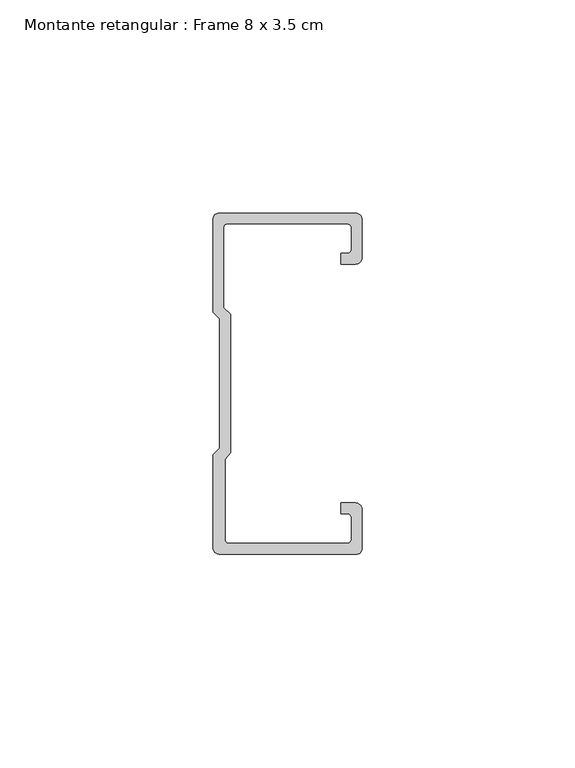
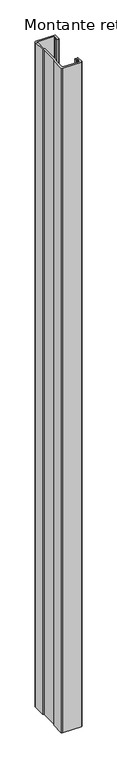
"""IFC4 building model written with IfcOpenShell, lengths in millimetres: member geometry, Montante retangular : Frame 8 x 3.5 cm."""

import ifcopenshell
import ifcopenshell.guid

model = None  # the IFC model being written
_history = None  # IfcOwnerHistory: only IFC2X3 demands one
_inside = {}  # id of a spatial element -> (the spatial element, [elements in it])
_under = {}  # id of a project, library or spatial element -> (it, [spatial elements below it])
_declared = {}  # id of a project -> (the project, [libraries it declares])
_typed = {}  # id of a type object -> (the type object, [elements of that type])
_made_of = {}  # id of a material, layer set ... -> (it, [elements and type objects made of it])


def new_model(schema):
    """Start an empty IFC model of exactly this schema.

    Asked for "IFC4X3", IfcOpenShell would pick the latest addendum, in which some entities
    have other attributes; the version numbers below select the first issue.
    IFC2X3 requires an IfcOwnerHistory on every rooted entity: one is made here for all.
    """
    global model, _history
    if schema == "IFC4X3":
        model = ifcopenshell.file(schema_version=(4, 3, 0, 0))
    else:
        model = ifcopenshell.file(schema=schema)
    _inside.clear()
    _under.clear()
    _declared.clear()
    _typed.clear()
    _made_of.clear()
    _history = None
    if model.schema == "IFC2X3":
        org = make("IfcOrganization", Name="unknown")
        user = make(
            "IfcPersonAndOrganization",
            ThePerson=make("IfcPerson", FamilyName="unknown"),
            TheOrganization=org,
        )
        app = make(
            "IfcApplication",
            ApplicationDeveloper=org,
            Version="unknown",
            ApplicationFullName="unknown",
            ApplicationIdentifier="unknown",
        )
        _history = make(
            "IfcOwnerHistory",
            OwningUser=user,
            OwningApplication=app,
            ChangeAction="ADDED",
            CreationDate=0,
        )
    return model


def make(cls, **values):
    """One entity of the class cls with the attributes given. An attribute that is None is left unset."""
    return model.create_entity(
        cls, **{name: value for name, value in values.items() if value is not None}
    )


def rooted(cls, **values):
    """An entity with a GlobalId (a new one), such as an element, a storey or a relation."""
    return make(cls, GlobalId=ifcopenshell.guid.new(), OwnerHistory=_history, **values)


def si_unit(unit_type, name, prefix=None):
    """IfcSIUnit, for example si_unit("LENGTHUNIT", "METRE", prefix="MILLI")."""
    return make("IfcSIUnit", UnitType=unit_type, Prefix=prefix, Name=name)


def assignment(units):
    """IfcUnitAssignment: the units of a project."""
    return None if units is None else make("IfcUnitAssignment", Units=units)


def point(xyz):
    """IfcCartesianPoint."""
    return None if xyz is None else make("IfcCartesianPoint", Coordinates=xyz)


def direction(xyz):
    """IfcDirection."""
    return None if xyz is None else make("IfcDirection", DirectionRatios=xyz)


def frame(location, z_axis=None, x_axis=None):
    """IfcAxis2Placement3D, a coordinate frame: its origin and axes. An axis left out is left unset."""
    return make(
        "IfcAxis2Placement3D",
        Location=point(location),
        Axis=direction(z_axis),
        RefDirection=direction(x_axis),
    )


def frame_2d(location, x_axis=None):
    """IfcAxis2Placement2D, a coordinate frame in the plane: its origin and x axis."""
    return make(
        "IfcAxis2Placement2D", Location=point(location), RefDirection=direction(x_axis)
    )


def origin():
    """The frame at (0, 0, 0) with its axes left unset."""
    return frame((0.0, 0.0, 0.0))


def place(relative_to, where):
    """IfcLocalPlacement: puts the frame where relative to a parent placement (None: the world)."""
    return make(
        "IfcLocalPlacement", PlacementRelTo=relative_to, RelativePlacement=where
    )


def context(
    kind, dimensions, precision=None, world=None, true_north=None, identifier=None
):
    """IfcGeometricRepresentationContext, for example the 3D "Model" context."""
    return make(
        "IfcGeometricRepresentationContext",
        ContextIdentifier=identifier,
        ContextType=kind,
        CoordinateSpaceDimension=dimensions,
        Precision=precision,
        WorldCoordinateSystem=world,
        TrueNorth=true_north,
    )


def project(units=None, contexts=None):
    """IfcProject with its units and contexts."""
    return rooted(
        "IfcProject",
        Name="project",
        RepresentationContexts=contexts,
        UnitsInContext=assignment(units),
    )


def spatial(cls, under=None, at=None, **own):
    """A site, building, storey or space (cls), placed at a placement, below another one or the project."""
    s = rooted(cls, ObjectPlacement=at, **own)
    if under is not None:
        _under.setdefault(under.id(), (under, []))[1].append(s)
    return s


def polyline(points):
    """IfcPolyline through the points."""
    return make("IfcPolyline", Points=[point(p) for p in points])


def circle_curve(where, radius):
    """IfcCircle in the frame where."""
    return make("IfcCircle", Position=where, Radius=radius)


def trimmed(basis, trim1, trim2, sense, master):
    """IfcTrimmedCurve: the piece of a basis curve between two trims."""
    return make(
        "IfcTrimmedCurve",
        BasisCurve=basis,
        Trim1=trim1,
        Trim2=trim2,
        SenseAgreement=sense,
        MasterRepresentation=master,
    )


def segment(curve, same_sense, transition):
    """IfcCompositeCurveSegment."""
    return make(
        "IfcCompositeCurveSegment",
        Transition=transition,
        SameSense=same_sense,
        ParentCurve=curve,
    )


def composite_curve(segments, self_intersect=None):
    """IfcCompositeCurve: segments joined end to end."""
    return make("IfcCompositeCurve", Segments=segments, SelfIntersect=self_intersect)


def outline(outer, holes=None, kind="AREA"):
    """IfcArbitraryClosedProfileDef: a profile drawn as a closed curve; with holes, ...WithVoids."""
    if holes is None:
        return make("IfcArbitraryClosedProfileDef", ProfileType=kind, OuterCurve=outer)
    return make(
        "IfcArbitraryProfileDefWithVoids",
        ProfileType=kind,
        OuterCurve=outer,
        InnerCurves=holes,
    )


def extrude(swept, where, along, depth):
    """IfcExtrudedAreaSolid: the profile swept, set in the frame where, extruded along a direction by depth."""
    return make(
        "IfcExtrudedAreaSolid",
        SweptArea=swept,
        Position=where,
        ExtrudedDirection=direction(along),
        Depth=depth,
    )


def shape(context_of_items, identifier, shape_type, items):
    """IfcShapeRepresentation: the items that make up one representation, for example the "Body"."""
    return make(
        "IfcShapeRepresentation",
        ContextOfItems=context_of_items,
        RepresentationIdentifier=identifier,
        RepresentationType=shape_type,
        Items=items,
    )


def source(mapping_origin, context_of_items, identifier, shape_type, items):
    """IfcRepresentationMap: a shape defined once, which mapped items show again and again."""
    return make(
        "IfcRepresentationMap",
        MappingOrigin=mapping_origin,
        MappedRepresentation=shape(context_of_items, identifier, shape_type, items),
    )


def transform(
    local_origin,
    x_axis=None,
    y_axis=None,
    z_axis=None,
    scale=None,
    scale2=None,
    scale3=None,
    uniform=True,
):
    """IfcCartesianTransformationOperator3D, or its non-uniform kind. x_axis, y_axis, z_axis: its Axis1, 2, 3."""
    if uniform:
        return make(
            "IfcCartesianTransformationOperator3D",
            Axis1=direction(x_axis),
            Axis2=direction(y_axis),
            LocalOrigin=point(local_origin),
            Scale=scale,
            Axis3=direction(z_axis),
        )
    return make(
        "IfcCartesianTransformationOperator3DnonUniform",
        Axis1=direction(x_axis),
        Axis2=direction(y_axis),
        LocalOrigin=point(local_origin),
        Scale=scale,
        Axis3=direction(z_axis),
        Scale2=scale2,
        Scale3=scale3,
    )


def mapped(mapping_source, mapping_target):
    """IfcMappedItem: shows the shape of a source again, moved by a transform."""
    return make(
        "IfcMappedItem", MappingSource=mapping_source, MappingTarget=mapping_target
    )


def made_of(thing, what):
    """Note that an element or type object is made of a material, layer set ...; save() writes the relation."""
    if what is not None:
        _made_of.setdefault(what.id(), (what, []))[1].append(thing)
    return thing


def element(
    cls,
    number,
    at=None,
    inside=None,
    cuts=None,
    type_object=None,
    material=None,
    context=None,
    identifier="Body",
    shape_type=None,
    held_by="IfcProductDefinitionShape",
    body=None,
    shapes=None,
    **own,
):
    """One element of the class cls, such as IfcWall. Its Tag is "e" and its number.

    at: its placement. inside: the storey or other place that contains it. cuts: it is an
    opening in that element (IfcRelVoidsElement). A single representation is given by context,
    identifier, shape_type and body (its items); several are given by shapes. held_by: the class
    of the entity that holds the representations. save() writes the other relations.
    """
    e = rooted(cls, Tag="e%d" % number, ObjectPlacement=at, **own)
    if body is not None:
        shapes = [shape(context, identifier, shape_type, body)]
    if shapes is not None:
        e.Representation = make(held_by, Representations=shapes)
    if inside is not None:
        _inside.setdefault(inside.id(), (inside, []))[1].append(e)
    if cuts is not None:
        rooted(
            "IfcRelVoidsElement", RelatingBuildingElement=cuts, RelatedOpeningElement=e
        )
    if type_object is not None:
        _typed.setdefault(type_object.id(), (type_object, []))[1].append(e)
    return made_of(e, material)


def aggregate(whole, parts):
    """IfcRelAggregates: a whole, such as a stair, and the parts it consists of."""
    return rooted("IfcRelAggregates", RelatingObject=whole, RelatedObjects=parts)


def save(model, path):
    """Write the relations noted so far, then the file.

    IfcRelAggregates (storeys below a building ...), IfcRelContainedInSpatialStructure (elements
    in a storey), IfcRelDefinesByType, IfcRelAssociatesMaterial and IfcRelDeclares: one each for
    every whole, place, type object, material and project.
    """
    for whole, parts in _under.values():
        aggregate(whole, parts)
    for where, things in _inside.values():
        rooted(
            "IfcRelContainedInSpatialStructure",
            RelatedElements=things,
            RelatingStructure=where,
        )
    for kind, things in _typed.values():
        rooted("IfcRelDefinesByType", RelatedObjects=things, RelatingType=kind)
    for what, things in _made_of.values():
        rooted("IfcRelAssociatesMaterial", RelatedObjects=things, RelatingMaterial=what)
    for by, libraries in _declared.values():
        rooted("IfcRelDeclares", RelatingContext=by, RelatedDefinitions=libraries)
    model.write(path)


def montante_retangular_frame_8_x_3_5_cm_da839f70(model_context):
    return source(origin(), model_context, "Body", "SweptSolid", [
        extrude(outline(composite_curve([segment(trimmed(circle_curve(frame_2d((-1.5, 29.5276505)), 1.5), [point((0.0, 29.5276505))], [point((-1.5, 28.0276505))], False, "CARTESIAN"), True, "CONTINUOUS"), segment(polyline([(-1.5, 28.0276505), (-4.9837744, 28.0276505), (-4.9837744, 30.5276505), (-3.5, 30.5276505)]), True, "CONTINUOUS"), segment(trimmed(circle_curve(frame_2d((-3.5, 31.5276505)), 1.0), [point((-3.5, 30.5276505))], [point((-2.5, 31.5276505))], True, "CARTESIAN"), True, "CONTINUOUS"), segment(polyline([(-2.5, 31.5276505), (-2.5, 36.5)]), True, "CONTINUOUS"), segment(trimmed(circle_curve(frame_2d((-3.5, 36.5)), 1.0), [point((-2.5, 36.5))], [point((-3.5, 37.5))], True, "CARTESIAN"), True, "CONTINUOUS"), segment(polyline([(-3.5, 37.5), (-31.5, 37.5)]), True, "CONTINUOUS"), segment(trimmed(circle_curve(frame_2d((-31.5, 36.5)), 1.0), [point((-31.5, 37.5))], [point((-32.5, 36.5))], True, "CARTESIAN"), True, "CONTINUOUS"), segment(polyline([(-32.5, 36.5), (-32.5, 17.7978001), (-30.9122869, 16.2100869), (-30.9122869, -16.1794816), (-32.192786, -17.7671948), (-32.192786, -36.5)]), True, "CONTINUOUS"), segment(trimmed(circle_curve(frame_2d((-31.192786, -36.5)), 1.0), [point((-32.192786, -36.5))], [point((-31.192786, -37.5))], True, "CARTESIAN"), True, "CONTINUOUS"), segment(polyline([(-31.192786, -37.5), (-3.5, -37.5)]), True, "CONTINUOUS"), segment(trimmed(circle_curve(frame_2d((-3.5, -36.5)), 1.0), [point((-3.5, -37.5))], [point((-2.5, -36.5))], True, "CARTESIAN"), True, "CONTINUOUS"), segment(polyline([(-2.5, -36.5), (-2.5, -31.5276505)]), True, "CONTINUOUS"), segment(trimmed(circle_curve(frame_2d((-3.5, -31.5276505)), 1.0), [point((-2.5, -31.5276505))], [point((-3.5, -30.5276505))], True, "CARTESIAN"), True, "CONTINUOUS"), segment(polyline([(-3.5, -30.5276505), (-4.9837744, -30.5276505), (-4.9837744, -28.0276505), (-1.5, -28.0276505)]), True, "CONTINUOUS"), segment(trimmed(circle_curve(frame_2d((-1.5, -29.5276505)), 1.5), [point((-1.5, -28.0276505))], [point((0.0, -29.5276505))], False, "CARTESIAN"), True, "CONTINUOUS"), segment(polyline([(0.0, -29.5276505), (0.0, -38.8171833)]), True, "CONTINUOUS"), segment(trimmed(circle_curve(frame_2d((-1.1828167, -38.8171833)), 1.1828167), [point((0.0, -38.8171833))], [point((-1.1828167, -40.0))], False, "CARTESIAN"), True, "CONTINUOUS"), segment(polyline([(-1.1828167, -40.0), (-33.5, -40.0)]), True, "CONTINUOUS"), segment(trimmed(circle_curve(frame_2d((-33.5, -38.5)), 1.5), [point((-33.5, -40.0))], [point((-35.0, -38.5))], False, "CARTESIAN"), True, "CONTINUOUS"), segment(polyline([(-35.0, -38.5), (-35.0, -16.7622662), (-33.4122869, -15.174553), (-33.4122869, 15.174553), (-35.0, 16.7622662), (-35.0, 38.5)]), True, "CONTINUOUS"), segment(trimmed(circle_curve(frame_2d((-33.5, 38.5)), 1.5), [point((-35.0, 38.5))], [point((-33.5, 40.0))], False, "CARTESIAN"), True, "CONTINUOUS"), segment(polyline([(-33.5, 40.0), (-1.5, 40.0)]), True, "CONTINUOUS"), segment(trimmed(circle_curve(frame_2d((-1.5, 38.5)), 1.5), [point((-1.5, 40.0))], [point((0.0, 38.5))], False, "CARTESIAN"), True, "CONTINUOUS"), segment(polyline([(0.0, 38.5), (0.0, 29.5276505)]), True, "CONTINUOUS")], self_intersect=False)), frame((0.0, 0.0, -1200.0), z_axis=(0.0, 0.0, 1.0), x_axis=(1.0, 0.0, 0.0)), (0.0, 0.0, 1.0), 1200.0),
    ])


if __name__ == "__main__":
    model = new_model("IFC4")
    model_context = context("Model", 3, world=origin())
    ifc_project = project(units=[si_unit("LENGTHUNIT", "METRE", prefix="MILLI")], contexts=[model_context])
    site = spatial("IfcSite", under=ifc_project)
    building = spatial("IfcBuilding", under=site)
    placement = place(None, origin())
    montante_retangular_frame_8_x_3_5_cm_shape = montante_retangular_frame_8_x_3_5_cm_da839f70(model_context)
    element("IfcMember", 1, ObjectType="Montante retangular : Frame 8 x 3.5 cm", at=placement, inside=building, context=model_context, shape_type="MappedRepresentation", body=[
        mapped(montante_retangular_frame_8_x_3_5_cm_shape, transform((0.0, 0.0, 0.0), x_axis=(1.0, 0.0, 0.0), y_axis=(0.0, 1.0, 0.0), z_axis=(0.0, 0.0, 1.0))),
    ])
    save(model, "model.ifc")
